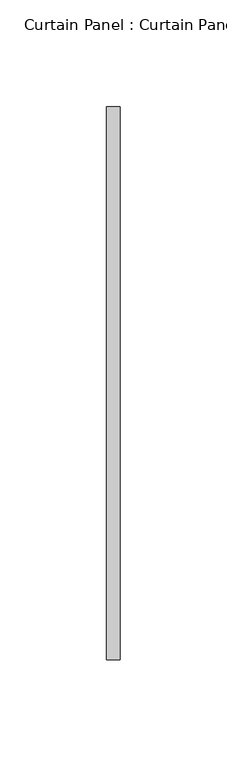
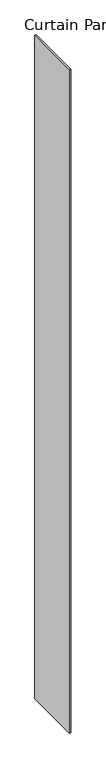
"""IFC4 building model written with IfcOpenShell, lengths in millimetres: plate geometry, Curtain Panel : Curtain Panel."""

from ifc_helpers import new_model, si_unit, origin, origin_with_axes, place, context, project, spatial, polyline, outline, extrude, source, transform, mapped, element, save


def curtain_panel_curtain_panel_09a0afa0(model_context):
    return source(origin(), model_context, "Body", "SweptSolid", [
        extrude(outline(polyline([(334805.5917744, 1119.9295011), (334805.5917744, 1378.6129387), (334811.9417744, 1378.6129387), (334811.9417744, 1119.9295011), (334805.5917744, 1119.9295011)])), origin_with_axes(), (0.0, 0.0, 1.0), 3048.0),
    ])


if __name__ == "__main__":
    model = new_model("IFC4")
    model_context = context("Model", 3, world=origin())
    ifc_project = project(units=[si_unit("LENGTHUNIT", "METRE", prefix="MILLI")], contexts=[model_context])
    site = spatial("IfcSite", under=ifc_project)
    building = spatial("IfcBuilding", under=site)
    placement = place(None, origin())
    curtain_panel_curtain_panel_shape = curtain_panel_curtain_panel_09a0afa0(model_context)
    element("IfcPlate", 1, ObjectType="Curtain Panel : Curtain Panel", at=placement, inside=building, context=model_context, shape_type="MappedRepresentation", body=[
        mapped(curtain_panel_curtain_panel_shape, transform((0.0, 0.0, 0.0), x_axis=(1.0, 0.0, 0.0), y_axis=(0.0, 1.0, 0.0), z_axis=(0.0, 0.0, 1.0))),
    ])
    save(model, "model.ifc")
